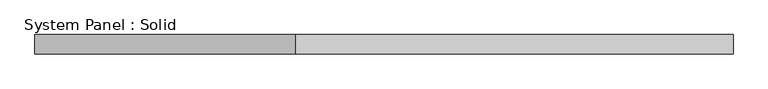
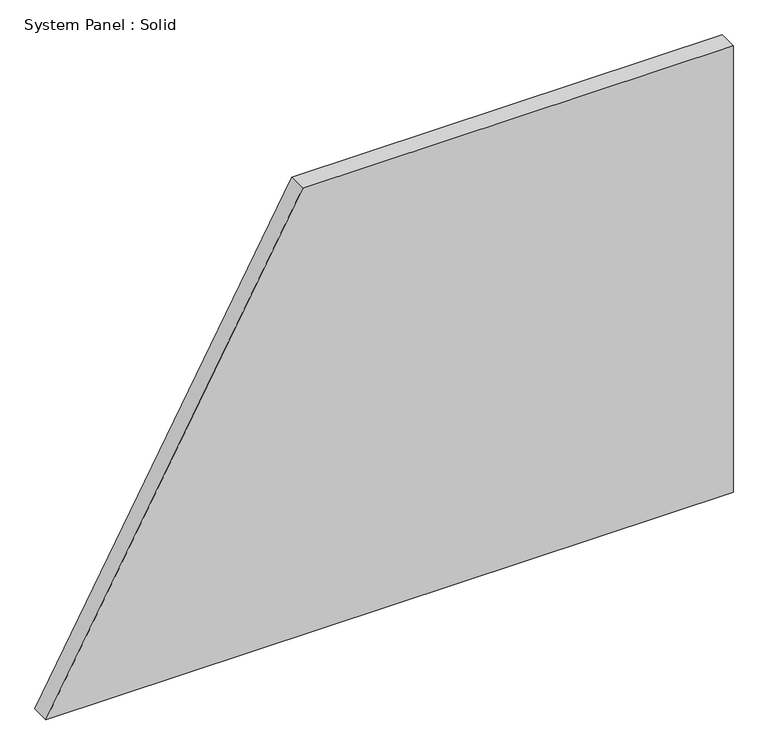
"""IFC4 building model written with IfcOpenShell, lengths in millimetres: plate geometry, System Panel : Solid."""

from ifc_helpers import new_model, si_unit, frame, origin, place, context, project, spatial, polyline, outline, extrude, source, transform, mapped, element, save


def system_panel_solid_367ab00e(model_context):
    return source(origin(), model_context, "Body", "SweptSolid", [
        extrude(outline(polyline([(0.0, -1092.0906471), (0.0, 1092.0906471), (1500.0, 1092.0906471), (1500.0, -276.2719411), (0.0, -1092.0906471)])), frame((0.0, -10.5, 0.0), z_axis=(0.0, 1.0, 0.0), x_axis=(0.0, 0.0, 1.0)), (0.0, 0.0, 1.0), 60.0),
    ])


if __name__ == "__main__":
    model = new_model("IFC4")
    model_context = context("Model", 3, world=origin())
    ifc_project = project(units=[si_unit("LENGTHUNIT", "METRE", prefix="MILLI")], contexts=[model_context])
    site = spatial("IfcSite", under=ifc_project)
    building = spatial("IfcBuilding", under=site)
    placement = place(None, origin())
    system_panel_solid_shape = system_panel_solid_367ab00e(model_context)
    element("IfcPlate", 1, ObjectType="System Panel : Solid", at=placement, inside=building, context=model_context, shape_type="MappedRepresentation", body=[
        mapped(system_panel_solid_shape, transform((0.0, 0.0, 0.0), x_axis=(1.0, 0.0, 0.0), y_axis=(0.0, 1.0, 0.0), z_axis=(0.0, 0.0, 1.0))),
    ])
    save(model, "model.ifc")
